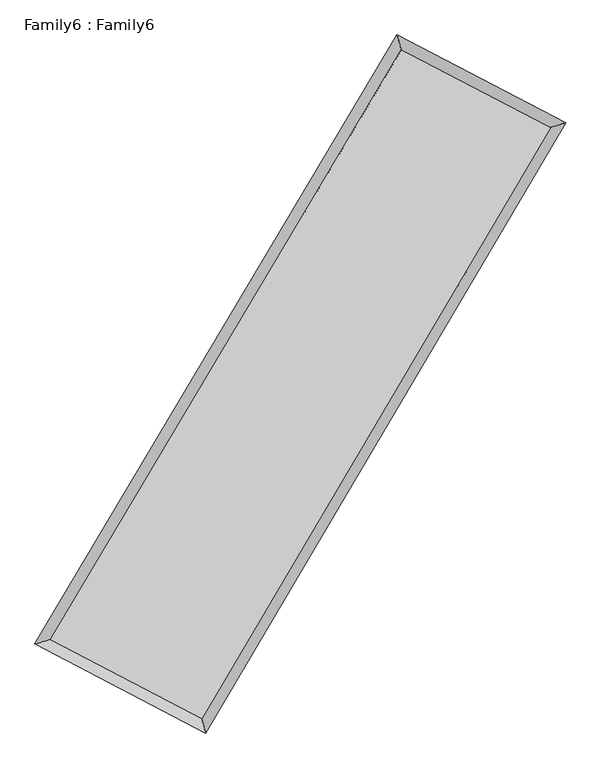
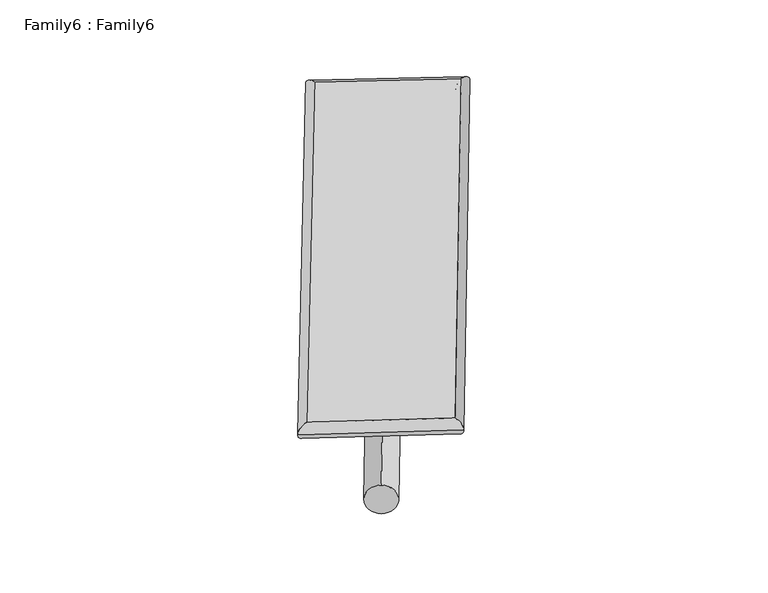
"""IFC4 building model written with IfcOpenShell, lengths in millimetres: plate geometry, Family6 : Family6."""

from ifc_helpers import new_model, si_unit, point, frame, origin, origin_2d, place, context, project, spatial, circle_curve, ellipse_curve, trimmed, segment, composite_curve, outline, extrude, source, transform, mapped, element, save
from ifc_brep_helpers import plane_surface, cylinder_surface, spline_surface, advanced_brep


def family6_family6_37a13659(model_context):
    return source(origin(), model_context, "Body", "SolidModel", [
        extrude(outline(composite_curve([segment(trimmed(circle_curve(origin_2d(), 76.2), [point((-75.4341514, -10.7763074))], [point((75.4341514, 10.7763074))], False, "CARTESIAN"), True, "CONTINUOUS"), segment(trimmed(circle_curve(origin_2d(), 76.2), [point((75.4341514, 10.7763074))], [point((-75.4341514, -10.7763074))], False, "CARTESIAN"), True, "CONTINUOUS")], self_intersect=False)), frame((9144.0, 9144.0, 0.0), z_axis=(0.6732099380215939, 0.6887276439667471, 0.2691516520197776), x_axis=(-0.6803314867303648, 0.7195102549204709, -0.13947781625595715)), (0.0, 0.0, 1.0), 5633.3108656),
        extrude(outline(composite_curve([segment(trimmed(circle_curve(origin_2d(), 76.2), [point((-53.8815367, 53.8815368))], [point((53.8815367, -53.8815368))], False, "CARTESIAN"), True, "CONTINUOUS"), segment(trimmed(circle_curve(origin_2d(), 76.2), [point((53.8815367, -53.8815368))], [point((-53.8815367, 53.8815368))], False, "CARTESIAN"), True, "CONTINUOUS")], self_intersect=False)), frame((9144.0, 9144.0, 0.0), z_axis=(-0.675461955957238, -0.6865662739560305, 0.2690314061974089), x_axis=(0.6383834337043751, -0.36185057219308736, 0.6793605485862033)), (0.0, 0.0, 1.0), 5636.4272778),
        extrude(outline(composite_curve([segment(trimmed(circle_curve(origin_2d(), 76.2), [point((-53.8815368, -53.8815367))], [point((53.8815368, 53.8815367))], False, "CARTESIAN"), True, "CONTINUOUS"), segment(trimmed(circle_curve(origin_2d(), 76.2), [point((53.8815368, 53.8815367))], [point((-53.8815368, -53.8815367))], False, "CARTESIAN"), True, "CONTINUOUS")], self_intersect=False)), frame((9144.0, 9144.0, 0.0), z_axis=(0.27456576185567555, 0.9205766532406638, 0.27776297075893885), x_axis=(-0.8404376806499646, 0.3701000884065837, -0.3958414196432042)), (0.0, 0.0, 1.0), 5503.3532268),
        extrude(outline(composite_curve([segment(trimmed(circle_curve(origin_2d(), 76.2), [point((-75.4341514, 10.7763073))], [point((75.4341514, -10.7763073))], False, "CARTESIAN"), True, "CONTINUOUS"), segment(trimmed(circle_curve(origin_2d(), 76.2), [point((75.4341514, -10.7763073))], [point((-75.4341514, 10.7763073))], False, "CARTESIAN"), True, "CONTINUOUS")], self_intersect=False)), frame((9144.0, 9144.0, 0.0), z_axis=(-0.2714871560149482, -0.9215437588338852, 0.2775821043821619), x_axis=(0.8789743496134095, -0.1199226335911661, 0.46154377330242774)), (0.0, 0.0, 1.0), 5507.1476301),
        advanced_brep(
        [(5123.3981492, 5213.6168595, 1517.3445472), (5550.2229549, 5334.8288189, 1517.5963037), (5550.2174635, 5334.8213914, 1515.4073657), (10712.3909055, 14008.6531459, 1527.2996501), (10597.6738375, 14411.8638443, 1529.9558328), (5123.3926578, 5213.6094321, 1515.1556093), (12723.3977089, 12962.8150481, 1516.3578593), (13149.4040084, 13084.8187923, 1516.0719923), (7591.1465294, 4270.8835848, 1528.4623561), (7706.6137749, 3866.9613602, 1528.9089005)],
        [
            (0, 1, ellipse_curve(frame((5336.8078064, 5274.2191255, 1516.3759565), z_axis=(-0.27318074479453147, 0.9619592665819893, -0.002578780825569886), x_axis=(-0.9619516823473346, -0.27318947153261885, -0.0040587526238098194)), 221.8584331, 152.4)),
            (1, 2, ellipse_curve(frame((5336.8078064, 5274.2191255, 1516.3759565), z_axis=(-0.27318074479453147, 0.9619592665819893, -0.002578780825569886), x_axis=(-0.9619516823473346, -0.27318947153261885, -0.0040587526238098194)), 221.8584331, 152.4)),
            (2, 3),
            (3, 4, ellipse_curve(frame((10655.0323715, 14210.2584951, 1528.6277414), z_axis=(-0.961822198523312, -0.27366359173450566, 0.0025093797545707518), x_axis=(0.27365128055396143, -0.9618190317971447, -0.0043734110234986785)), 209.61067, 152.4)),
            (4, 0),
            (2, 5, ellipse_curve(frame((5336.8078064, 5274.2191255, 1516.3759565), z_axis=(-0.27318074479453147, 0.9619592665819893, -0.002578780825569886), x_axis=(-0.9619516823473346, -0.27318947153261885, -0.0040587526238098194)), 221.8584331, 152.4)),
            (5, 0, ellipse_curve(frame((5336.8078064, 5274.2191255, 1516.3759565), z_axis=(-0.27318074479453147, 0.9619592665819893, -0.002578780825569886), x_axis=(-0.9619516823473346, -0.27318947153261885, -0.0040587526238098194)), 221.8584331, 152.4)),
            (4, 3, ellipse_curve(frame((10655.0323715, 14210.2584951, 1528.6277414), z_axis=(-0.961822198523312, -0.27366359173450566, 0.0025093797545707518), x_axis=(0.27365128055396143, -0.9618190317971447, -0.0043734110234986785)), 209.61067, 152.4)),
            (3, 6),
            (6, 7, ellipse_curve(frame((12936.4008587, 13023.8169202, 1516.2149258), z_axis=(-0.27531863728561423, 0.9613494124276141, 0.0026372690938596343), x_axis=(-0.961341458800485, -0.27532774706121504, 0.004151058846982177)), 221.5677383, 152.4)),
            (7, 4),
            (7, 6, ellipse_curve(frame((12936.4008587, 13023.8169202, 1516.2149258), z_axis=(-0.27531863728561423, 0.9613494124276141, 0.0026372690938596343), x_axis=(-0.961341458800485, -0.27532774706121504, 0.004151058846982177)), 221.5677383, 152.4)),
            (6, 8),
            (8, 9, ellipse_curve(frame((7648.8801521, 4068.9224725, 1528.6856283), z_axis=(0.9614821073967013, 0.2748568107268399, 0.0024270873631949417), x_axis=(-0.274845040038227, 0.9614789143105112, -0.004301314062690854)), 210.0522036, 152.4)),
            (9, 7),
            (9, 8, ellipse_curve(frame((7648.8801521, 4068.9224725, 1528.6856283), z_axis=(0.9614821073967013, 0.2748568107268399, 0.0024270873631949417), x_axis=(-0.274845040038227, 0.9614789143105112, -0.004301314062690854)), 210.0522036, 152.4)),
            (8, 1),
            (5, 9),
        ],
        [
            cylinder_surface(frame((5336.8078064, 5274.2191255, 1516.3759565), z_axis=(-0.511423397591907, -0.8593280632429923, -0.0011781844499890353), x_axis=(-0.8593084097333078, 0.5114012782670531, 0.007601943727622229)), 152.4),
            cylinder_surface(frame((10655.0323715, 14210.2584951, 1528.6277414), z_axis=(-0.8871857766817888, 0.4613871437547489, 0.00482713490244032), x_axis=(0.4614063337934512, 0.8871791932758311, 0.00415621868191481)), 152.4),
            cylinder_surface(frame((12936.4008587, 13023.8169202, 1516.2149258), z_axis=(0.5084432698271811, 0.8610946541204848, -0.0011991716170402867), x_axis=(0.861095426790786, -0.5084432698271811, 0.0003276086665995182)), 152.4),
            cylinder_surface(frame((7648.8801521, 4068.9224725, 1528.6856283), z_axis=(0.8867325073284058, -0.4622587719316692, 0.004721040065885875), x_axis=(-0.4622492119337241, -0.8867449398157293, -0.0030129350888079094)), 152.4),
        ],
        [
            (0, [[1, 2, 3, 4, 5]]),
            (0, [[6, 7, -5, 8, -3]]),
            (1, [[-4, 9, 10, 11]]),
            (1, [[-8, -11, 12, -9]]),
            (2, [[-10, 13, 14, 15]]),
            (2, [[-12, -15, 16, -13]]),
            (3, [[-14, 17, -1, -7, 18]]),
            (3, [[-16, -18, -6, -2, -17]]),
        ],
    ),
        extrude(outline(composite_curve([segment(trimmed(circle_curve(origin_2d(), 304.8), [point((0.0, -304.8))], [point((0.0, 304.8))], False, "CARTESIAN"), True, "CONTINUOUS"), segment(trimmed(circle_curve(origin_2d(), 304.8), [point((0.0, 304.8))], [point((0.0, -304.8))], False, "CARTESIAN"), True, "CONTINUOUS")], self_intersect=False)), frame((6486.6518411, 4644.1881195, -0.0007511), z_axis=(0.5084978829930297, 0.8610632398329326, 1.4372712581865158e-07), x_axis=(-0.8610632398329437, 0.5084978829930297, 3.9270529686040095e-08)), (0.0, 0.0, 1.0), 10451.7570192),
        advanced_brep(
        [(5336.8078064, 5274.2191255, 1516.3759565), (7648.8801521, 4068.9224725, 1528.6856283), (7648.8791526, 4068.9249557, 1681.0856283), (5336.8068068, 5274.2216086, 1668.7759564), (12936.4008587, 13023.8169202, 1516.2149258), (12936.3998591, 13023.8194033, 1668.6149258), (10655.0323715, 14210.2584951, 1528.6277414), (10655.0313719, 14210.2609783, 1681.0277414)],
        [
            (0, 1),
            (1, 2),
            (2, 3),
            (3, 0),
            (1, 4),
            (4, 5),
            (5, 2),
            (4, 6),
            (6, 7),
            (7, 5),
            (6, 0),
            (3, 7),
        ],
        [
            plane_surface(frame((6492.8439793, 4671.570799, 1522.5307924), z_axis=(-0.4622639712432868, -0.8867423643652387, 1.1416316064125596e-05), x_axis=(0.8867325073284058, -0.4622587719316694, 0.0047210400658858715))),
            plane_surface(frame((10292.6405054, 8546.3696963, 1522.4502771), z_axis=(0.8610952816647691, -0.5084436209655514, 1.393236353223787e-05), x_axis=(0.5084432698271816, 0.8610946541204845, -0.0011991716170402893))),
            plane_surface(frame((11795.7166151, 13617.0377076, 1522.4213336), z_axis=(0.46139247031444325, 0.8871961385209608, -1.1429425907677915e-05), x_axis=(-0.8871857766817883, 0.46138714375474926, 0.004827134902440318))),
            plane_surface(frame((7995.9200889, 9742.2388103, 1522.5018489), z_axis=(-0.8593286511671513, 0.511423766643771, -1.3969333780073853e-05), x_axis=(-0.5114233975919076, -0.8593280632429919, -0.0011781844499890338))),
            spline_surface(1, 1, [[(7648.8791526, 4068.9249557, 1681.0856283), (5336.8068068, 5274.2216086, 1668.7759564)], [(12936.3998591, 13023.8194033, 1668.6149258), (10655.0313719, 14210.2609783, 1681.0277414)]], [2, 2], [2, 2], [0.0, 1.0], [0.0, 1.0]),
            spline_surface(1, 1, [[(10655.0323715, 14210.2584951, 1528.6277414), (5336.8078064, 5274.2191255, 1516.3759565)], [(12936.4008587, 13023.8169202, 1516.2149258), (7648.8801521, 4068.9224725, 1528.6856283)]], [2, 2], [2, 2], [0.0, 1.0], [0.0, 1.0]),
        ],
        [
            (0, [[1, 2, 3, 4]]),
            (1, [[5, 6, 7, -2]]),
            (2, [[8, 9, 10, -6]]),
            (3, [[11, -4, 12, -9]]),
            (4, [[-3, -7, -10, -12]]),
            (5, [[-11, -8, -5, -1]]),
        ],
    ),
    ])


if __name__ == "__main__":
    model = new_model("IFC4")
    model_context = context("Model", 3, world=origin())
    ifc_project = project(units=[si_unit("LENGTHUNIT", "METRE", prefix="MILLI")], contexts=[model_context])
    site = spatial("IfcSite", under=ifc_project)
    building = spatial("IfcBuilding", under=site)
    placement = place(None, origin())
    family6_family6_shape = family6_family6_37a13659(model_context)
    element("IfcPlate", 1, ObjectType="Family6 : Family6", at=placement, inside=building, context=model_context, shape_type="MappedRepresentation", body=[
        mapped(family6_family6_shape, transform((0.0, 0.0, 0.0), x_axis=(1.0, 0.0, 0.0), y_axis=(0.0, 1.0, 0.0), z_axis=(0.0, 0.0, 1.0))),
    ])
    save(model, "model.ifc")
